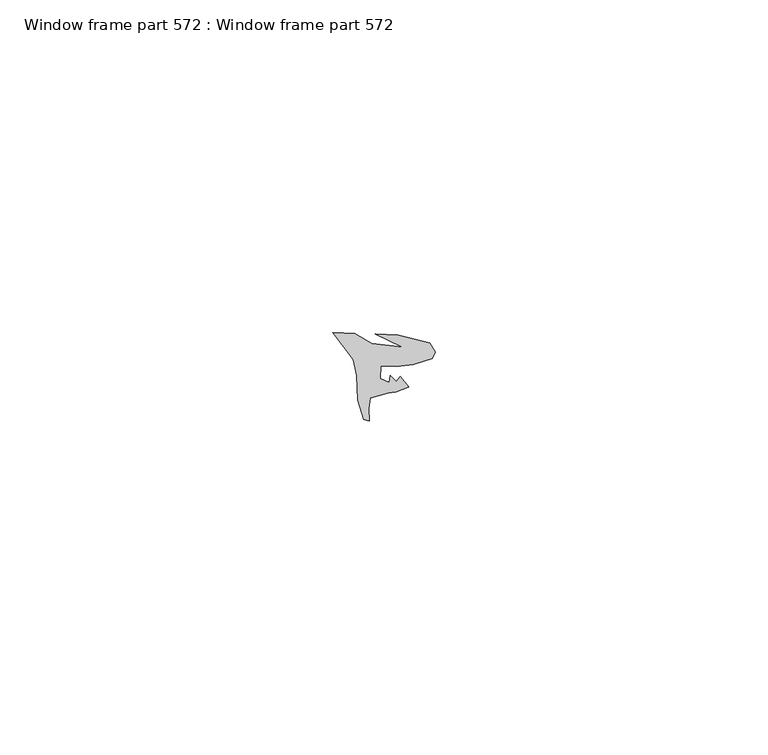
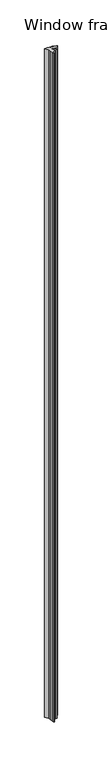
"""IFC4 building model written with IfcOpenShell, lengths in millimetres: proxy geometry, Window frame part 572 : Window frame part 572."""

from ifc_helpers import new_model, si_unit, frame, origin, place, context, project, spatial, polyline, outline, extrude, source, transform, mapped, element, save


def window_frame_part_572_window_frame_part_572_7e53e267(model_context):
    return source(origin(), model_context, "Body", "SweptSolid", [
        extrude(outline(polyline([(34510.344037, -15510.9825171), (34509.4124069, -15508.0862238), (34509.2886397, -15504.4256879), (34508.7297915, -15502.0228092), (34505.6787541, -15497.9405358), (34508.9582183, -15498.0898882), (34511.5611457, -15499.5706782), (34516.135294, -15500.088561), (34512.0511597, -15498.1928818), (34515.4591095, -15498.3063651), (34520.2114386, -15499.5429975), (34521.0662564, -15500.8753158), (34520.6253399, -15501.8469853), (34517.7443847, -15502.7611207), (34515.3016448, -15503.0350948), (34512.87214, -15502.9541933), (34512.810137, -15504.8161689), (34514.1527145, -15505.4184812), (34514.3103564, -15504.4314718), (34515.2086146, -15505.32973), (34515.7922292, -15504.5437345), (34517.0763556, -15506.1565327), (34515.1570939, -15506.8769173), (34514.0372637, -15507.0254959), (34511.2861622, -15507.8012712), (34511.1109028, -15509.3443381), (34511.122713, -15511.2648888), (34510.344037, -15510.9825171)])), frame((0.0, 0.0, 1597.975708), z_axis=(0.0, 0.0, 1.0), x_axis=(1.0, 0.0, 0.0)), (0.0, 0.0, 1.0), 914.4),
    ])


if __name__ == "__main__":
    model = new_model("IFC4")
    model_context = context("Model", 3, world=origin())
    ifc_project = project(units=[si_unit("LENGTHUNIT", "METRE", prefix="MILLI")], contexts=[model_context])
    site = spatial("IfcSite", under=ifc_project)
    building = spatial("IfcBuilding", under=site)
    placement = place(None, origin())
    window_frame_part_572_window_frame_part_572_shape = window_frame_part_572_window_frame_part_572_7e53e267(model_context)
    element("IfcBuildingElementProxy", 1, Name="Window frame part 572 : Window frame part 572", ObjectType="Window frame part 572 : Window frame part 572", at=placement, inside=building, context=model_context, shape_type="MappedRepresentation", body=[
        mapped(window_frame_part_572_window_frame_part_572_shape, transform((0.0, 0.0, 0.0), x_axis=(1.0, 0.0, 0.0), y_axis=(0.0, 1.0, 0.0), z_axis=(0.0, 0.0, 1.0))),
    ])
    save(model, "model.ifc")
